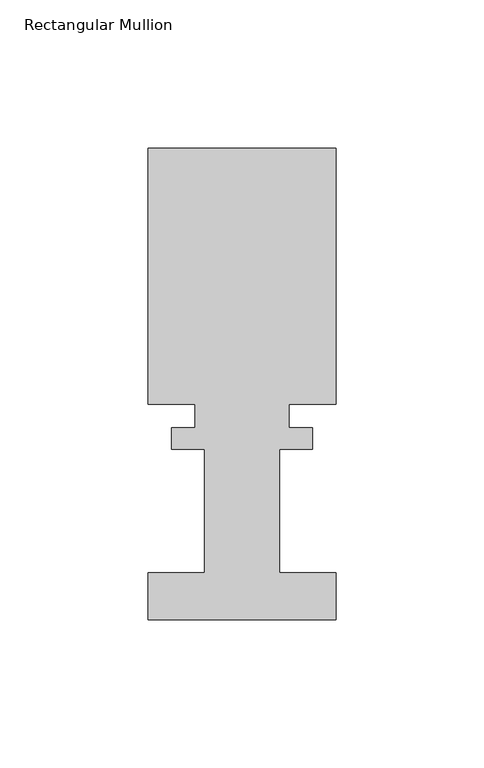
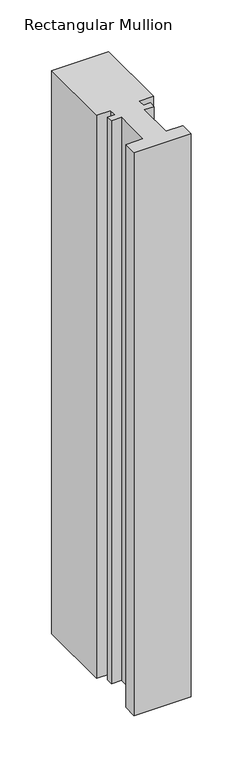
"""IFC4 building model written with IfcOpenShell, lengths in millimetres: member geometry, Rectangular Mullion."""

from ifc_helpers import new_model, si_unit, frame, origin, place, context, project, spatial, polyline, outline, extrude, source, transform, mapped, element, save


def rectangular_mullion_8b2dc850(model_context):
    return source(origin(), model_context, "Body", "SweptSolid", [
        extrude(outline(polyline([(31.75, 101.6992188), (31.75, 15.1614188), (15.875, 15.1614188), (15.875, 7.2620187), (23.8252, 7.2620187), (23.8252, 0.0992187), (12.7, 0.0992187), (12.7, -41.5602697), (31.75, -41.5602697), (31.75, -57.4317813), (-31.75, -57.4317813), (-31.75, -41.5602697), (-12.7, -41.5602697), (-12.7, 0.0992187), (-23.8252, 0.0992187), (-23.8252, 7.2620188), (-15.875, 7.2620188), (-15.875, 15.1614188), (-31.75, 15.1614188), (-31.75, 101.6992188), (31.75, 101.6992188)])), frame((0.0, 0.0, -663.4211086), z_axis=(0.0, 0.0, 1.0), x_axis=(1.0, 0.0, 0.0)), (0.0, 0.0, 1.0), 663.4211086),
    ])


if __name__ == "__main__":
    model = new_model("IFC4")
    model_context = context("Model", 3, world=origin())
    ifc_project = project(units=[si_unit("LENGTHUNIT", "METRE", prefix="MILLI")], contexts=[model_context])
    site = spatial("IfcSite", under=ifc_project)
    building = spatial("IfcBuilding", under=site)
    placement = place(None, origin())
    rectangular_mullion_shape = rectangular_mullion_8b2dc850(model_context)
    element("IfcMember", 1, ObjectType="Rectangular Mullion", at=placement, inside=building, context=model_context, shape_type="MappedRepresentation", body=[
        mapped(rectangular_mullion_shape, transform((0.0, 0.0, 0.0), x_axis=(1.0, 0.0, 0.0), y_axis=(0.0, 1.0, 0.0), z_axis=(0.0, 0.0, 1.0))),
    ])
    save(model, "model.ifc")
